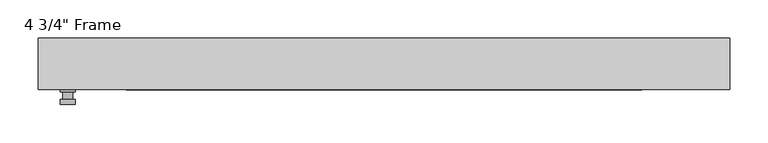
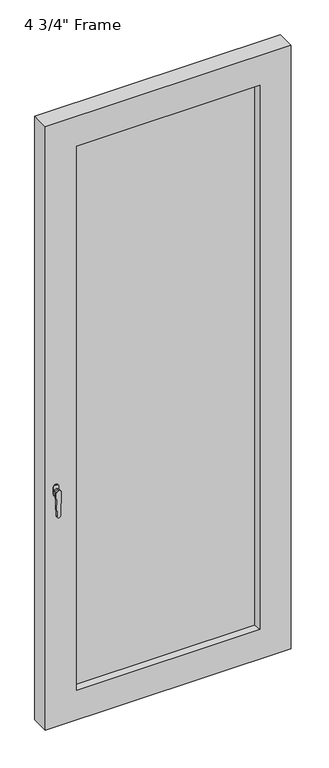
"""IFC4 building model written with IfcOpenShell, lengths in millimetres: plate geometry."""

from ifc_helpers import new_model, si_unit, frame, origin, place, context, project, spatial, polyline, circle_curve, outline, extrude, faceted_brep, source, transform, mapped, element, save
from ifc_brep_helpers import plane_surface, cylinder_surface, advanced_brep


def plate_e72e79ca(model_context):
    return source(origin(), model_context, "Body", "SolidModel", [
        advanced_brep(
        [(-401.6375, -33.3375, 927.1), (-401.6375, -33.3375, 901.7), (-420.6875, -33.3375, 901.7), (-420.6875, -33.3375, 927.1), (-404.8125, -46.0375, 914.4), (-417.5125, -46.0375, 914.4), (-417.5125, -36.5125, 914.4), (-404.8125, -36.5125, 914.4), (-401.6375, -46.0375, 914.4), (-404.8165356, -46.0375, 825.2736467), (-417.5084644, -46.0375, 825.2736467), (-420.6875, -46.0375, 914.4), (-401.6375, -52.3875, 914.4), (-420.6875, -52.3875, 914.4), (-417.5084644, -52.3875, 825.2736467), (-404.8165356, -52.3875, 825.2736467), (-401.6375, -36.5125, 927.1), (-420.6875, -36.5125, 927.1), (-420.6875, -36.5125, 901.7), (-401.6375, -36.5125, 901.7)],
        [
            (0, 1),
            (1, 2, circle_curve(frame((-411.1625, -33.3375, 901.7), z_axis=(0.0, 1.0, 0.0), x_axis=(-1.0, 0.0, 0.0)), 9.525)),
            (2, 3),
            (3, 0, circle_curve(frame((-411.1625, -33.3375, 927.1), z_axis=(0.0, 1.0, 0.0), x_axis=(-1.0, 0.0, 0.0)), 9.525)),
            (4, 5, circle_curve(frame((-411.1625, -46.0375, 914.4), z_axis=(0.0, 1.0, 0.0), x_axis=(-1.0, 0.0, 0.0)), 6.35)),
            (5, 6),
            (6, 7, circle_curve(frame((-411.1625, -36.5125, 914.4), z_axis=(0.0, -1.0, 0.0), x_axis=(-1.0, 0.0, 0.0)), 6.35)),
            (7, 4),
            (5, 4, circle_curve(frame((-411.1625, -46.0375, 914.4), z_axis=(0.0, 1.0, 0.0), x_axis=(-1.0, 0.0, 0.0)), 6.35)),
            (7, 6, circle_curve(frame((-411.1625, -36.5125, 914.4), z_axis=(0.0, -1.0, 0.0), x_axis=(-1.0, 0.0, 0.0)), 6.35)),
            (8, 9),
            (9, 10, circle_curve(frame((-411.1625, -46.0375, 825.5), z_axis=(0.0, 1.0, 0.0), x_axis=(-1.0, 0.0, 0.0)), 6.35)),
            (10, 11),
            (11, 8, circle_curve(frame((-411.1625, -46.0375, 914.4), z_axis=(0.0, 1.0, 0.0), x_axis=(-1.0, 0.0, 0.0)), 9.525)),
            (12, 13, circle_curve(frame((-411.1625, -52.3875, 914.4), z_axis=(0.0, -1.0, 0.0), x_axis=(-1.0, 0.0, 0.0)), 9.525)),
            (13, 14),
            (14, 15, circle_curve(frame((-411.1625, -52.3875, 825.5), z_axis=(0.0, -1.0, 0.0), x_axis=(-1.0, 0.0, 0.0)), 6.35)),
            (15, 12),
            (8, 12),
            (15, 9),
            (14, 10),
            (13, 11),
            (16, 17, circle_curve(frame((-411.1625, -36.5125, 927.1), z_axis=(0.0, -1.0, 0.0), x_axis=(-1.0, 0.0, 0.0)), 9.525)),
            (17, 18),
            (18, 19, circle_curve(frame((-411.1625, -36.5125, 901.7), z_axis=(0.0, -1.0, 0.0), x_axis=(-1.0, 0.0, 0.0)), 9.525)),
            (19, 16),
            (0, 16),
            (19, 1),
            (18, 2),
            (17, 3),
        ],
        [
            plane_surface(frame((-417.5125, -33.3375, 914.4), z_axis=(0.0, 1.0, 0.0), x_axis=(0.0, 0.0, 1.0))),
            cylinder_surface(frame((-411.1625, -46.0375, 914.4), z_axis=(0.0, 1.0, 0.0), x_axis=(-1.0, 0.0, 0.0)), 6.35),
            plane_surface(frame((-401.6375, -46.0375, 914.4), z_axis=(0.0, 1.0000000000000002, 0.0), x_axis=(-0.03564619348186888, 0.0, -0.9993644724975235))),
            plane_surface(frame((-401.6375, -52.3875, 914.4), z_axis=(0.0, -1.0000000000000002, 0.0), x_axis=(0.03564619348186888, 0.0, 0.9993644724975235))),
            plane_surface(frame((-401.6375, -46.0375, 914.4), z_axis=(0.9993644724975235, 0.0, -0.03564619348186888), x_axis=(0.0, -1.0, 0.0))),
            cylinder_surface(frame((-411.1625, -52.3875, 825.5), z_axis=(0.0, 1.0, 0.0), x_axis=(-1.0, 0.0, 0.0)), 6.35),
            plane_surface(frame((-417.5084644, -46.0375, 825.2736467), z_axis=(-0.9993644724975228, 0.0, -0.03564619348188612), x_axis=(0.0, -1.0, 0.0))),
            cylinder_surface(frame((-411.1625, -52.3875, 914.4), z_axis=(0.0, 1.0, 0.0), x_axis=(-1.0, 0.0, 0.0)), 9.525),
            plane_surface(frame((-401.6375, -36.5125, 901.7), z_axis=(0.0, -1.0, 0.0), x_axis=(0.0, 0.0, 1.0))),
            plane_surface(frame((-401.6375, -33.3375, 927.1), z_axis=(1.0, 0.0, 0.0), x_axis=(0.0, -1.0, 0.0))),
            cylinder_surface(frame((-411.1625, -36.5125, 901.7), z_axis=(0.0, 1.0, 0.0), x_axis=(-1.0, 0.0, 0.0)), 9.525),
            plane_surface(frame((-420.6875, -33.3375, 901.7), z_axis=(-1.0, 0.0, 0.0), x_axis=(0.0, -1.0, 0.0))),
            cylinder_surface(frame((-411.1625, -36.5125, 927.1), z_axis=(0.0, 1.0, 0.0), x_axis=(-1.0, 0.0, 0.0)), 9.525),
        ],
        [
            (0, [[1, 2, 3, 4]]),
            (1, [[5, 6, 7, 8]]),
            (1, [[9, -8, 10, -6]]),
            (2, [[11, 12, 13, 14], [-5, -9]]),
            (3, [[15, 16, 17, 18]]),
            (4, [[-11, 19, -18, 20]]),
            (5, [[-12, -20, -17, 21]]),
            (6, [[-13, -21, -16, 22]]),
            (7, [[-14, -22, -15, -19]]),
            (8, [[23, 24, 25, 26], [-7, -10]]),
            (9, [[-1, 27, -26, 28]]),
            (10, [[-2, -28, -25, 29]]),
            (11, [[-3, -29, -24, 30]]),
            (12, [[-4, -30, -23, -27]]),
        ],
    ),
        faceted_brep([(-449.2625, -33.3375, 0.0), (-449.2625, 33.3375, 0.0), (449.2625, 33.3375, 0.0), (449.2625, -33.3375, 0.0), (449.2625, -33.3375, 2330.45), (-449.2625, -33.3375, 2330.45), (-334.9625, -33.3375, 2216.15), (334.9625, -33.3375, 2216.15), (334.9625, -33.3375, 114.3), (-334.9625, -33.3375, 114.3), (-449.2625, 33.3375, 2330.45), (449.2625, 33.3375, 2330.45), (-334.9625, 33.3375, 2216.15), (-334.9625, 33.3375, 114.3), (334.9625, 33.3375, 114.3), (334.9625, 33.3375, 2216.15), (-328.6125, 11.90625, 2209.8), (-328.6125, 11.90625, 120.65), (341.3125, 11.90625, 2222.5), (-341.3125, 11.90625, 2222.5), (-341.3125, 11.90625, 107.95), (341.3125, 11.90625, 107.95), (328.6125, 11.90625, 2209.8), (328.6125, 11.90625, 120.65), (-341.3125, -11.90625, 2222.5), (-341.3125, -11.90625, 107.95), (341.3125, -11.90625, 2222.5), (341.3125, -11.90625, 107.95), (-328.6125, -11.90625, 2209.8), (-328.6125, -11.90625, 120.65), (328.6125, -11.90625, 120.65), (328.6125, -11.90625, 2209.8)], [[[0, 1, 2, 3]], [[0, 3, 4, 5], [6, 7, 8, 9]], [[1, 0, 5, 10]], [[2, 1, 10, 11], [12, 13, 14, 15]], [[12, 16, 17, 13]], [[18, 19, 20, 21], [16, 22, 23, 17]], [[20, 19, 24, 25]], [[24, 26, 27, 25], [28, 29, 30, 31]], [[28, 6, 9, 29]], [[5, 4, 11, 10]], [[12, 15, 22, 16]], [[19, 18, 26, 24]], [[7, 6, 28, 31]], [[4, 3, 2, 11]], [[22, 15, 14, 23]], [[27, 26, 18, 21]], [[7, 31, 30, 8]], [[9, 8, 30, 29]], [[21, 20, 25, 27]], [[17, 23, 14, 13]]]),
        extrude(outline(polyline([(341.3125, -11.90625), (-341.3125, -11.90625), (-341.3125, 11.90625), (341.3125, 11.90625), (341.3125, -11.90625)])), frame((0.0, 0.0, 107.95), z_axis=(0.0, 0.0, 1.0), x_axis=(1.0, 0.0, 0.0)), (0.0, 0.0, 1.0), 2114.55),
    ])


if __name__ == "__main__":
    model = new_model("IFC4")
    model_context = context("Model", 3, world=origin())
    ifc_project = project(units=[si_unit("LENGTHUNIT", "METRE", prefix="MILLI")], contexts=[model_context])
    site = spatial("IfcSite", under=ifc_project)
    building = spatial("IfcBuilding", under=site)
    placement = place(None, origin())
    plate_shape = plate_e72e79ca(model_context)
    element("IfcPlate", 1, ObjectType="4 3/4\" Frame", at=placement, inside=building, context=model_context, shape_type="MappedRepresentation", body=[
        mapped(plate_shape, transform((0.0, 0.0, 0.0), x_axis=(1.0, 0.0, 0.0), y_axis=(0.0, 1.0, 0.0), z_axis=(0.0, 0.0, 1.0))),
    ])
    save(model, "model.ifc")
